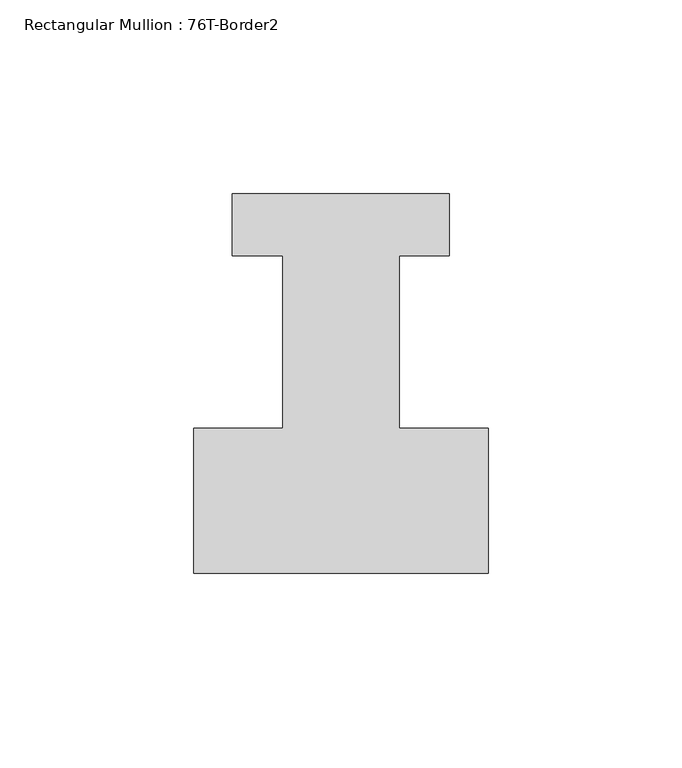
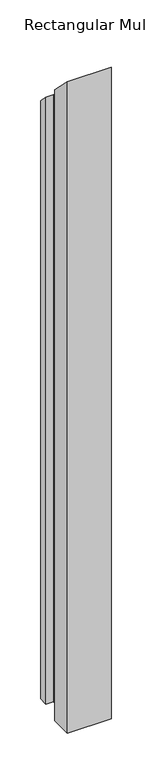
"""IFC4 building model written with IfcOpenShell, lengths in millimetres: member geometry, Rectangular Mullion : 76T-Border2."""

from ifc_helpers import new_model, si_unit, origin, place, context, project, spatial, faceted_brep, source, transform, mapped, element, save


def rectangular_mullion_76t_border2_bb7cbfcd(model_context):
    return source(origin(), model_context, "Body", "Brep", [
        faceted_brep([(0.0, -38.0, -1162.0), (-76.0, -38.0, -1162.0), (-76.0, -0.5, -1162.0), (-53.0, -0.5, -1162.0), (-53.0, 44.0, -1162.0), (-66.0, 44.0, -1162.0), (-66.0, 60.0, -1162.0), (-10.0, 60.0, -1162.0), (-10.0, 44.0, -1162.0), (-23.0, 44.0, -1162.0), (-23.0, -0.5, -1162.0), (0.0, -0.5, -1162.0), (0.0, -0.5, 0.5), (0.0, -38.0, 38.0), (-23.0, -0.5, 0.5), (-23.0, 44.0, -44.0), (-10.0, 44.0, -44.0), (-10.0, 60.0, -60.0), (-66.0, 60.0, -60.0), (-66.0, 44.0, -44.0), (-53.0, 44.0, -44.0), (-53.0, -0.5, 0.5), (-76.0, -0.5, 0.5), (-76.0, -38.0, 38.0)], [[[0, 1, 2, 3, 4, 5, 6, 7, 8, 9, 10, 11]], [[12, 13, 0, 11]], [[14, 12, 11, 10]], [[15, 14, 10, 9]], [[16, 15, 9, 8]], [[17, 16, 8, 7]], [[18, 17, 7, 6]], [[19, 18, 6, 5]], [[20, 19, 5, 4]], [[21, 20, 4, 3]], [[22, 21, 3, 2]], [[23, 22, 2, 1]], [[13, 23, 1, 0]], [[13, 12, 14, 15, 16, 17, 18, 19, 20, 21, 22, 23]]]),
    ])


if __name__ == "__main__":
    model = new_model("IFC4")
    model_context = context("Model", 3, world=origin())
    ifc_project = project(units=[si_unit("LENGTHUNIT", "METRE", prefix="MILLI")], contexts=[model_context])
    site = spatial("IfcSite", under=ifc_project)
    building = spatial("IfcBuilding", under=site)
    placement = place(None, origin())
    rectangular_mullion_76t_border2_shape = rectangular_mullion_76t_border2_bb7cbfcd(model_context)
    element("IfcMember", 1, ObjectType="Rectangular Mullion : 76T-Border2", at=placement, inside=building, context=model_context, shape_type="MappedRepresentation", body=[
        mapped(rectangular_mullion_76t_border2_shape, transform((0.0, 0.0, 0.0), x_axis=(1.0, 0.0, 0.0), y_axis=(0.0, 1.0, 0.0), z_axis=(0.0, 0.0, 1.0))),
    ])
    save(model, "model.ifc")
